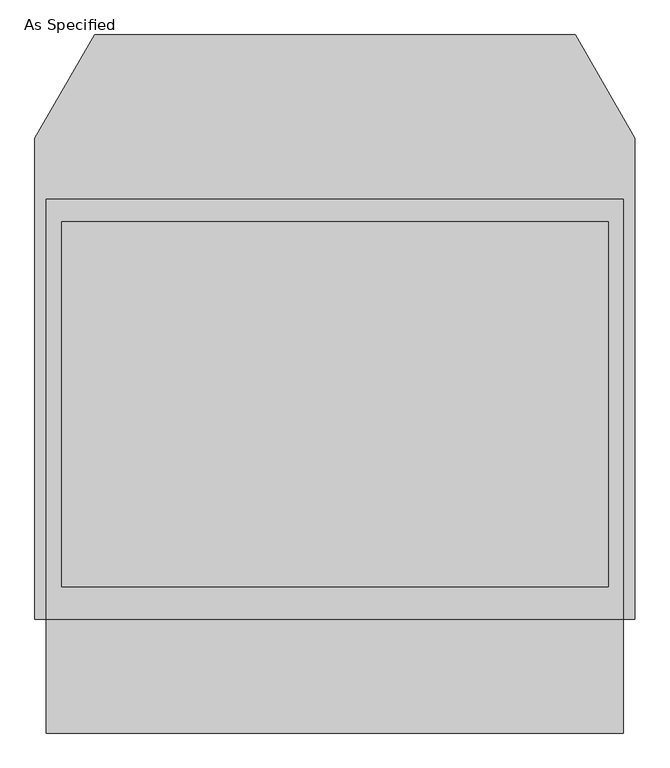
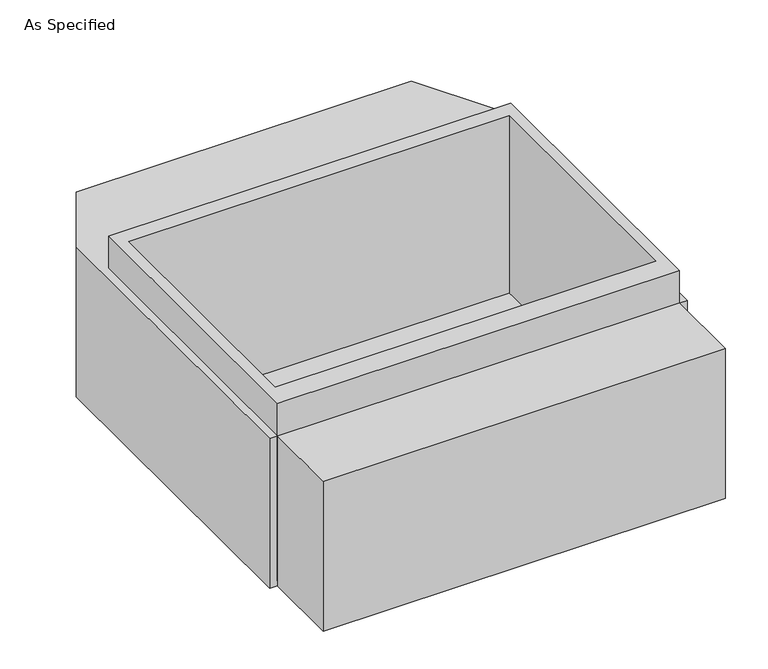
"""IFC4 building model written with IfcOpenShell, lengths in millimetres: proxy geometry, As Specified."""

from ifc_helpers import new_model, si_unit, frame, origin, place, context, project, spatial, polyline, outline, extrude, faceted_brep, source, transform, mapped, element, save


def as_specified_0c47f5cf(model_context):
    return source(origin(), model_context, "Body", "SolidModel", [
        extrude(outline(polyline([(965.2, 617.8351562), (965.2, -785.5148438), (-965.2, -785.5148438), (-965.2, 617.8351562), (965.2, 617.8351562)]), holes=[polyline([(-914.4, 541.6748437), (-914.4, -677.5251563), (914.4, -677.5251563), (914.4, 541.6748437), (-914.4, 541.6748437)])]), frame((0.0, 0.0, -762.0), z_axis=(0.0, 0.0, 1.0), x_axis=(1.0, 0.0, 0.0)), (0.0, 0.0, 1.0), 901.7),
        faceted_brep([(965.2, -1166.5148438, -787.4), (-965.2, -1166.5148438, -787.4), (-965.2, -785.5148438, -787.4), (-1003.3, -785.5148438, -787.4), (-1003.3, 821.0748437, -787.4), (-803.860123, 1166.5148437, -787.4), (803.860123, 1166.5148437, -787.4), (1003.3, 821.0748437, -787.4), (1003.3, -785.5148438, -787.4), (965.2, -785.5148438, -787.4), (965.2, -1166.5148438, -25.4), (965.2, -785.5148438, -25.4), (1003.3, -785.5148438, -25.4), (1003.3, 821.0748437, -25.4), (803.860123, 1166.5148437, -25.4), (-803.860123, 1166.5148437, -25.4), (-1003.3, 821.0748437, -25.4), (-1003.3, -785.5148438, -25.4), (-965.2, -785.5148438, -25.4), (-965.2, -1166.5148438, -25.4), (914.4, 541.6748437, -25.4), (914.4, -677.5251563, -25.4), (-914.4, -677.5251563, -25.4), (-914.4, 541.6748437, -25.4), (914.4, 541.6748437, -762.0), (-914.4, 541.6748437, -762.0), (-914.4, -677.5251563, -762.0), (914.4, -677.5251563, -762.0)], [[[0, 1, 2, 3, 4, 5, 6, 7, 8, 9]], [[10, 11, 12, 13, 14, 15, 16, 17, 18, 19], [20, 21, 22, 23]], [[6, 5, 15, 14]], [[3, 17, 16, 4]], [[17, 3, 2, 18]], [[8, 12, 11, 9]], [[12, 8, 7, 13]], [[0, 9, 11, 10]], [[2, 1, 19, 18]], [[1, 0, 10, 19]], [[5, 4, 16, 15]], [[7, 6, 14, 13]], [[24, 25, 26, 27]], [[24, 27, 21, 20]], [[27, 26, 22, 21]], [[26, 25, 23, 22]], [[25, 24, 20, 23]]]),
    ])


if __name__ == "__main__":
    model = new_model("IFC4")
    model_context = context("Model", 3, world=origin())
    ifc_project = project(units=[si_unit("LENGTHUNIT", "METRE", prefix="MILLI")], contexts=[model_context])
    site = spatial("IfcSite", under=ifc_project)
    building = spatial("IfcBuilding", under=site)
    placement = place(None, origin())
    as_specified_shape = as_specified_0c47f5cf(model_context)
    element("IfcBuildingElementProxy", 1, Name="As Specified", ObjectType="As Specified", at=placement, inside=building, context=model_context, shape_type="MappedRepresentation", body=[
        mapped(as_specified_shape, transform((0.0, 0.0, 0.0), x_axis=(1.0, 0.0, 0.0), y_axis=(0.0, 1.0, 0.0), z_axis=(0.0, 0.0, 1.0))),
    ])
    save(model, "model.ifc")
